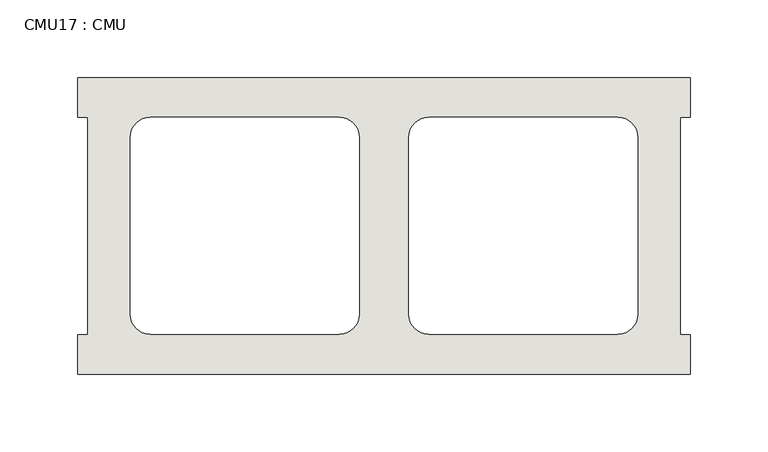
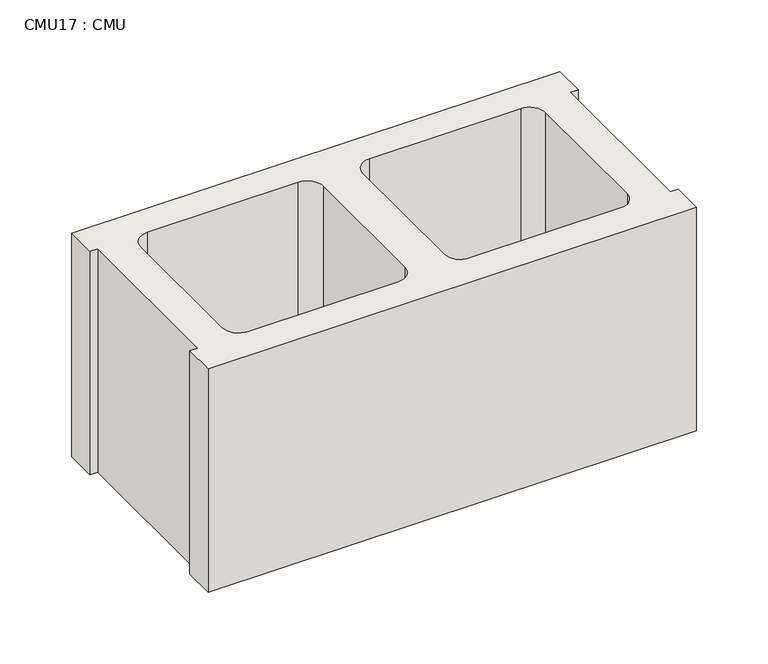
"""IFC4 building model written with IfcOpenShell, lengths in millimetres: wall geometry, CMU17 : CMU."""

import ifcopenshell
import ifcopenshell.guid

model = None  # the IFC model being written
_history = None  # IfcOwnerHistory: only IFC2X3 demands one
_inside = {}  # id of a spatial element -> (the spatial element, [elements in it])
_under = {}  # id of a project, library or spatial element -> (it, [spatial elements below it])
_declared = {}  # id of a project -> (the project, [libraries it declares])
_typed = {}  # id of a type object -> (the type object, [elements of that type])
_made_of = {}  # id of a material, layer set ... -> (it, [elements and type objects made of it])


def new_model(schema):
    """Start an empty IFC model of exactly this schema.

    Asked for "IFC4X3", IfcOpenShell would pick the latest addendum, in which some entities
    have other attributes; the version numbers below select the first issue.
    IFC2X3 requires an IfcOwnerHistory on every rooted entity: one is made here for all.
    """
    global model, _history
    if schema == "IFC4X3":
        model = ifcopenshell.file(schema_version=(4, 3, 0, 0))
    else:
        model = ifcopenshell.file(schema=schema)
    _inside.clear()
    _under.clear()
    _declared.clear()
    _typed.clear()
    _made_of.clear()
    _history = None
    if model.schema == "IFC2X3":
        org = make("IfcOrganization", Name="unknown")
        user = make(
            "IfcPersonAndOrganization",
            ThePerson=make("IfcPerson", FamilyName="unknown"),
            TheOrganization=org,
        )
        app = make(
            "IfcApplication",
            ApplicationDeveloper=org,
            Version="unknown",
            ApplicationFullName="unknown",
            ApplicationIdentifier="unknown",
        )
        _history = make(
            "IfcOwnerHistory",
            OwningUser=user,
            OwningApplication=app,
            ChangeAction="ADDED",
            CreationDate=0,
        )
    return model


def make(cls, **values):
    """One entity of the class cls with the attributes given. An attribute that is None is left unset."""
    return model.create_entity(
        cls, **{name: value for name, value in values.items() if value is not None}
    )


def rooted(cls, **values):
    """An entity with a GlobalId (a new one), such as an element, a storey or a relation."""
    return make(cls, GlobalId=ifcopenshell.guid.new(), OwnerHistory=_history, **values)


def si_unit(unit_type, name, prefix=None):
    """IfcSIUnit, for example si_unit("LENGTHUNIT", "METRE", prefix="MILLI")."""
    return make("IfcSIUnit", UnitType=unit_type, Prefix=prefix, Name=name)


def assignment(units):
    """IfcUnitAssignment: the units of a project."""
    return None if units is None else make("IfcUnitAssignment", Units=units)


def point(xyz):
    """IfcCartesianPoint."""
    return None if xyz is None else make("IfcCartesianPoint", Coordinates=xyz)


def direction(xyz):
    """IfcDirection."""
    return None if xyz is None else make("IfcDirection", DirectionRatios=xyz)


def frame(location, z_axis=None, x_axis=None):
    """IfcAxis2Placement3D, a coordinate frame: its origin and axes. An axis left out is left unset."""
    return make(
        "IfcAxis2Placement3D",
        Location=point(location),
        Axis=direction(z_axis),
        RefDirection=direction(x_axis),
    )


def frame_2d(location, x_axis=None):
    """IfcAxis2Placement2D, a coordinate frame in the plane: its origin and x axis."""
    return make(
        "IfcAxis2Placement2D", Location=point(location), RefDirection=direction(x_axis)
    )


def origin():
    """The frame at (0, 0, 0) with its axes left unset."""
    return frame((0.0, 0.0, 0.0))


def place(relative_to, where):
    """IfcLocalPlacement: puts the frame where relative to a parent placement (None: the world)."""
    return make(
        "IfcLocalPlacement", PlacementRelTo=relative_to, RelativePlacement=where
    )


def context(
    kind, dimensions, precision=None, world=None, true_north=None, identifier=None
):
    """IfcGeometricRepresentationContext, for example the 3D "Model" context."""
    return make(
        "IfcGeometricRepresentationContext",
        ContextIdentifier=identifier,
        ContextType=kind,
        CoordinateSpaceDimension=dimensions,
        Precision=precision,
        WorldCoordinateSystem=world,
        TrueNorth=true_north,
    )


def project(units=None, contexts=None):
    """IfcProject with its units and contexts."""
    return rooted(
        "IfcProject",
        Name="project",
        RepresentationContexts=contexts,
        UnitsInContext=assignment(units),
    )


def spatial(cls, under=None, at=None, **own):
    """A site, building, storey or space (cls), placed at a placement, below another one or the project."""
    s = rooted(cls, ObjectPlacement=at, **own)
    if under is not None:
        _under.setdefault(under.id(), (under, []))[1].append(s)
    return s


def polyline(points):
    """IfcPolyline through the points."""
    return make("IfcPolyline", Points=[point(p) for p in points])


def circle_curve(where, radius):
    """IfcCircle in the frame where."""
    return make("IfcCircle", Position=where, Radius=radius)


def trimmed(basis, trim1, trim2, sense, master):
    """IfcTrimmedCurve: the piece of a basis curve between two trims."""
    return make(
        "IfcTrimmedCurve",
        BasisCurve=basis,
        Trim1=trim1,
        Trim2=trim2,
        SenseAgreement=sense,
        MasterRepresentation=master,
    )


def segment(curve, same_sense, transition):
    """IfcCompositeCurveSegment."""
    return make(
        "IfcCompositeCurveSegment",
        Transition=transition,
        SameSense=same_sense,
        ParentCurve=curve,
    )


def composite_curve(segments, self_intersect=None):
    """IfcCompositeCurve: segments joined end to end."""
    return make("IfcCompositeCurve", Segments=segments, SelfIntersect=self_intersect)


def outline(outer, holes=None, kind="AREA"):
    """IfcArbitraryClosedProfileDef: a profile drawn as a closed curve; with holes, ...WithVoids."""
    if holes is None:
        return make("IfcArbitraryClosedProfileDef", ProfileType=kind, OuterCurve=outer)
    return make(
        "IfcArbitraryProfileDefWithVoids",
        ProfileType=kind,
        OuterCurve=outer,
        InnerCurves=holes,
    )


def extrude(swept, where, along, depth):
    """IfcExtrudedAreaSolid: the profile swept, set in the frame where, extruded along a direction by depth."""
    return make(
        "IfcExtrudedAreaSolid",
        SweptArea=swept,
        Position=where,
        ExtrudedDirection=direction(along),
        Depth=depth,
    )


def shape(context_of_items, identifier, shape_type, items):
    """IfcShapeRepresentation: the items that make up one representation, for example the "Body"."""
    return make(
        "IfcShapeRepresentation",
        ContextOfItems=context_of_items,
        RepresentationIdentifier=identifier,
        RepresentationType=shape_type,
        Items=items,
    )


def source(mapping_origin, context_of_items, identifier, shape_type, items):
    """IfcRepresentationMap: a shape defined once, which mapped items show again and again."""
    return make(
        "IfcRepresentationMap",
        MappingOrigin=mapping_origin,
        MappedRepresentation=shape(context_of_items, identifier, shape_type, items),
    )


def transform(
    local_origin,
    x_axis=None,
    y_axis=None,
    z_axis=None,
    scale=None,
    scale2=None,
    scale3=None,
    uniform=True,
):
    """IfcCartesianTransformationOperator3D, or its non-uniform kind. x_axis, y_axis, z_axis: its Axis1, 2, 3."""
    if uniform:
        return make(
            "IfcCartesianTransformationOperator3D",
            Axis1=direction(x_axis),
            Axis2=direction(y_axis),
            LocalOrigin=point(local_origin),
            Scale=scale,
            Axis3=direction(z_axis),
        )
    return make(
        "IfcCartesianTransformationOperator3DnonUniform",
        Axis1=direction(x_axis),
        Axis2=direction(y_axis),
        LocalOrigin=point(local_origin),
        Scale=scale,
        Axis3=direction(z_axis),
        Scale2=scale2,
        Scale3=scale3,
    )


def mapped(mapping_source, mapping_target):
    """IfcMappedItem: shows the shape of a source again, moved by a transform."""
    return make(
        "IfcMappedItem", MappingSource=mapping_source, MappingTarget=mapping_target
    )


def made_of(thing, what):
    """Note that an element or type object is made of a material, layer set ...; save() writes the relation."""
    if what is not None:
        _made_of.setdefault(what.id(), (what, []))[1].append(thing)
    return thing


def element(
    cls,
    number,
    at=None,
    inside=None,
    cuts=None,
    type_object=None,
    material=None,
    context=None,
    identifier="Body",
    shape_type=None,
    held_by="IfcProductDefinitionShape",
    body=None,
    shapes=None,
    **own,
):
    """One element of the class cls, such as IfcWall. Its Tag is "e" and its number.

    at: its placement. inside: the storey or other place that contains it. cuts: it is an
    opening in that element (IfcRelVoidsElement). A single representation is given by context,
    identifier, shape_type and body (its items); several are given by shapes. held_by: the class
    of the entity that holds the representations. save() writes the other relations.
    """
    e = rooted(cls, Tag="e%d" % number, ObjectPlacement=at, **own)
    if body is not None:
        shapes = [shape(context, identifier, shape_type, body)]
    if shapes is not None:
        e.Representation = make(held_by, Representations=shapes)
    if inside is not None:
        _inside.setdefault(inside.id(), (inside, []))[1].append(e)
    if cuts is not None:
        rooted(
            "IfcRelVoidsElement", RelatingBuildingElement=cuts, RelatedOpeningElement=e
        )
    if type_object is not None:
        _typed.setdefault(type_object.id(), (type_object, []))[1].append(e)
    return made_of(e, material)


def aggregate(whole, parts):
    """IfcRelAggregates: a whole, such as a stair, and the parts it consists of."""
    return rooted("IfcRelAggregates", RelatingObject=whole, RelatedObjects=parts)


def save(model, path):
    """Write the relations noted so far, then the file.

    IfcRelAggregates (storeys below a building ...), IfcRelContainedInSpatialStructure (elements
    in a storey), IfcRelDefinesByType, IfcRelAssociatesMaterial and IfcRelDeclares: one each for
    every whole, place, type object, material and project.
    """
    for whole, parts in _under.values():
        aggregate(whole, parts)
    for where, things in _inside.values():
        rooted(
            "IfcRelContainedInSpatialStructure",
            RelatedElements=things,
            RelatingStructure=where,
        )
    for kind, things in _typed.values():
        rooted("IfcRelDefinesByType", RelatedObjects=things, RelatingType=kind)
    for what, things in _made_of.values():
        rooted("IfcRelAssociatesMaterial", RelatedObjects=things, RelatingMaterial=what)
    for by, libraries in _declared.values():
        rooted("IfcRelDeclares", RelatingContext=by, RelatedDefinitions=libraries)
    model.write(path)


def cmu17_cmu_04d0fec0(model_context):
    return source(origin(), model_context, "Body", "SweptSolid", [
        extrude(outline(polyline([(-2022.9785982, 3347.4652891), (-1629.2785982, 3347.4652891), (-1629.2785982, 3322.0652891), (-1635.6285982, 3322.0652891), (-1635.6285982, 3182.3652891), (-1629.2785982, 3182.3652891), (-1629.2785982, 3156.9652891), (-2022.9785982, 3156.9652891), (-2022.9785982, 3182.3652891), (-2016.6285982, 3182.3652891), (-2016.6285982, 3322.0652891), (-2022.9785982, 3322.0652891), (-2022.9785982, 3347.4652891)]), holes=[composite_curve([segment(polyline([(-1854.8105995, 3322.0652891), (-1976.5272496, 3322.0652891)]), True, "CONTINUOUS"), segment(trimmed(circle_curve(frame_2d((-1976.5272496, 3309.3652891)), 12.7), [point((-1976.5272496, 3322.0652891))], [point((-1989.2272496, 3309.3652891))], True, "CARTESIAN"), True, "CONTINUOUS"), segment(polyline([(-1989.2272496, 3309.3652891), (-1989.2272496, 3195.2994494)]), True, "CONTINUOUS"), segment(trimmed(circle_curve(frame_2d((-1976.5272496, 3195.2994494)), 12.7), [point((-1989.2272496, 3195.2994494))], [point((-1976.5272496, 3182.5994494))], True, "CARTESIAN"), True, "CONTINUOUS"), segment(polyline([(-1976.5272496, 3182.5994494), (-1854.8105995, 3182.5994494)]), True, "CONTINUOUS"), segment(trimmed(circle_curve(frame_2d((-1854.8105995, 3195.2994494)), 12.7), [point((-1854.8105995, 3182.5994494))], [point((-1842.1105995, 3195.2994494))], True, "CARTESIAN"), True, "CONTINUOUS"), segment(polyline([(-1842.1105995, 3195.2994494), (-1842.1105995, 3309.3652891)]), True, "CONTINUOUS"), segment(trimmed(circle_curve(frame_2d((-1854.8105995, 3309.3652891)), 12.7), [point((-1842.1105995, 3309.3652891))], [point((-1854.8105995, 3322.0652891))], True, "CARTESIAN"), True, "CONTINUOUS")], self_intersect=False), composite_curve([segment(trimmed(circle_curve(frame_2d((-1797.4465969, 3309.3652891)), 12.7), [point((-1797.4465969, 3322.0652891))], [point((-1810.1465969, 3309.3652891))], True, "CARTESIAN"), True, "CONTINUOUS"), segment(polyline([(-1810.1465969, 3309.3652891), (-1810.1465969, 3195.2994494)]), True, "CONTINUOUS"), segment(trimmed(circle_curve(frame_2d((-1797.4465969, 3195.2994494)), 12.7), [point((-1810.1465969, 3195.2994494))], [point((-1797.4465969, 3182.5994494))], True, "CARTESIAN"), True, "CONTINUOUS"), segment(polyline([(-1797.4465969, 3182.5994494), (-1675.7299468, 3182.5994494)]), True, "CONTINUOUS"), segment(trimmed(circle_curve(frame_2d((-1675.7299468, 3195.2994494)), 12.7), [point((-1675.7299468, 3182.5994494))], [point((-1663.0299468, 3195.2994494))], True, "CARTESIAN"), True, "CONTINUOUS"), segment(polyline([(-1663.0299468, 3195.2994494), (-1663.0299468, 3309.3652891)]), True, "CONTINUOUS"), segment(trimmed(circle_curve(frame_2d((-1675.7299468, 3309.3652891)), 12.7), [point((-1663.0299468, 3309.3652891))], [point((-1675.7299468, 3322.0652891))], True, "CARTESIAN"), True, "CONTINUOUS"), segment(polyline([(-1675.7299468, 3322.0652891), (-1797.4465969, 3322.0652891)]), True, "CONTINUOUS")], self_intersect=False)]), frame((0.0, 0.0, 406.4), z_axis=(0.0, 0.0, 1.0), x_axis=(1.0, 0.0, 0.0)), (0.0, 0.0, 1.0), 190.5),
    ])


if __name__ == "__main__":
    model = new_model("IFC4")
    model_context = context("Model", 3, world=origin())
    ifc_project = project(units=[si_unit("LENGTHUNIT", "METRE", prefix="MILLI")], contexts=[model_context])
    site = spatial("IfcSite", under=ifc_project)
    building = spatial("IfcBuilding", under=site)
    placement = place(None, origin())
    cmu17_cmu_shape = cmu17_cmu_04d0fec0(model_context)
    element("IfcWall", 1, ObjectType="CMU17 : CMU", at=placement, inside=building, context=model_context, shape_type="MappedRepresentation", body=[
        mapped(cmu17_cmu_shape, transform((0.0, 0.0, 0.0), x_axis=(1.0, 0.0, 0.0), y_axis=(0.0, 1.0, 0.0), z_axis=(0.0, 0.0, 1.0))),
    ])
    save(model, "model.ifc")
